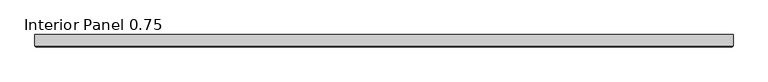
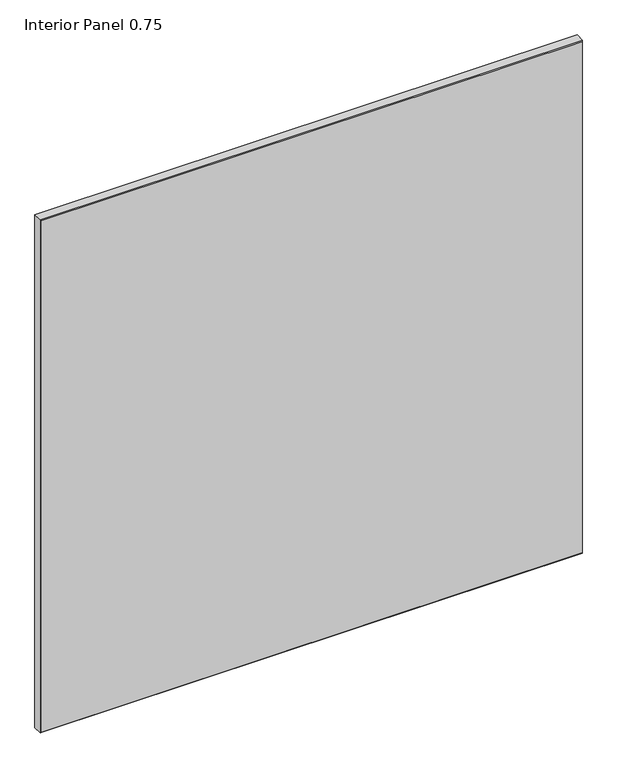
"""IFC4 building model written with IfcOpenShell, lengths in millimetres: proxy geometry, Interior Panel 0.75."""

from ifc_helpers import new_model, si_unit, origin, place, context, project, spatial, faceted_brep, source, transform, mapped, element, save


def interior_panel_0_75_a2b10fc8(model_context):
    return source(origin(), model_context, "Body", "Brep", [
        faceted_brep([(990.6, 3.175, 1063.625), (-73.025, 3.175, 1063.625), (-73.025, -14.2875, 1063.625), (990.6, -14.2875, 1063.625), (990.6, 3.175, 0.0), (990.6, -14.2875, 0.0), (-73.025, -14.2875, 0.0), (-73.025, 3.175, 0.0), (-71.4375, -15.875, 1062.0375), (-71.4375, -15.875, 1.5875), (989.0125, -15.875, 1.5875), (989.0125, -15.875, 1062.0375)], [[[0, 1, 2, 3]], [[4, 5, 6, 7]], [[1, 0, 4, 7]], [[2, 1, 7, 6]], [[8, 9, 10, 11]], [[0, 3, 5, 4]], [[2, 6, 9, 8]], [[5, 3, 11, 10]], [[3, 2, 8, 11]], [[6, 5, 10, 9]]]),
    ])


if __name__ == "__main__":
    model = new_model("IFC4")
    model_context = context("Model", 3, world=origin())
    ifc_project = project(units=[si_unit("LENGTHUNIT", "METRE", prefix="MILLI")], contexts=[model_context])
    site = spatial("IfcSite", under=ifc_project)
    building = spatial("IfcBuilding", under=site)
    placement = place(None, origin())
    interior_panel_0_75_shape = interior_panel_0_75_a2b10fc8(model_context)
    element("IfcBuildingElementProxy", 1, Name="Interior Panel 0.75", ObjectType="Interior Panel 0.75", at=placement, inside=building, context=model_context, shape_type="MappedRepresentation", body=[
        mapped(interior_panel_0_75_shape, transform((0.0, 0.0, 0.0), x_axis=(1.0, 0.0, 0.0), y_axis=(0.0, 1.0, 0.0), z_axis=(0.0, 0.0, 1.0))),
    ])
    save(model, "model.ifc")
